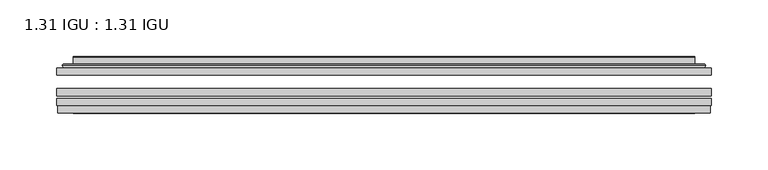
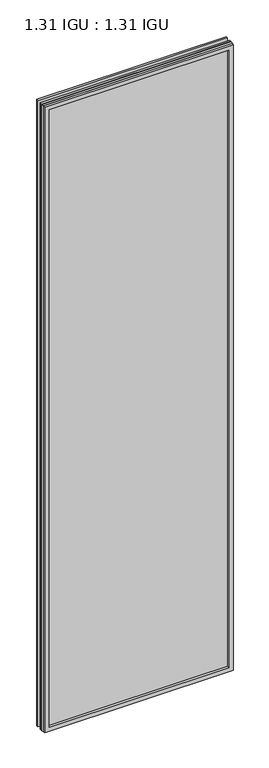
"""IFC4 building model written with IfcOpenShell, lengths in millimetres: plate geometry, 1.31 IGU : 1.31 IGU."""

from ifc_helpers import new_model, si_unit, frame, origin, place, context, project, spatial, polyline, ellipse_curve, outline, extrude, faceted_brep, source, transform, mapped, element, save
from ifc_brep_helpers import plane_surface, cylinder_surface, advanced_brep


def plate_1_31_igu_1_31_igu_ebd483c3(model_context):
    return source(origin(), model_context, "Body", "SolidModel", [
        extrude(outline(polyline([(287.351675, -63.59525), (287.351675, -69.94525), (-287.3375, -69.94525), (-287.3375, -63.59525), (287.351675, -63.59525)])), frame((0.0, 0.0, -14.2875), z_axis=(0.0, 0.0, 1.0), x_axis=(1.0, 0.0, 0.0)), (0.0, 0.0, 1.0), 2009.8015278),
        extrude(outline(polyline([(-287.3375, -78.58125), (-287.3375, -72.230745), (287.351675, -72.230745), (287.351675, -78.58125), (-287.3375, -78.58125)])), frame((0.0, 0.0, -14.2875), z_axis=(0.0, 0.0, 1.0), x_axis=(1.0, 0.0, 0.0)), (0.0, 0.0, 1.0), 2009.8015278),
        extrude(outline(polyline([(287.351675, -45.25645), (287.351675, -51.60645), (-287.3375, -51.60645), (-287.3375, -45.25645), (287.351675, -45.25645)])), frame((0.0, 0.0, -14.2875), z_axis=(0.0, 0.0, 1.0), x_axis=(1.0, 0.0, 0.0)), (0.0, 0.0, 1.0), 2009.8015278),
        faceted_brep([(-286.6373142, -84.93125, 1994.8100441), (-286.6373142, -78.58125, 1994.8100441), (-286.6373142, -78.58125, -13.5873142), (-286.6373142, -84.93125, -13.5873142), (286.6373142, -78.58125, -13.5873142), (286.6373142, -84.93125, -13.5873142), (286.6373142, -78.58125, 1994.8100441), (286.6373142, -84.93125, 1994.8100441), (-272.1522559, -78.58125, 0.8977441), (272.1522559, -78.58125, 0.8977441), (272.1522559, -78.58125, 1980.3249858), (-272.1522559, -78.58125, 1980.3249858), (-273.0446902, -84.93125, 1981.2174201), (273.0446902, -84.93125, 1981.2174201), (273.0446902, -84.93125, 0.0053098), (-273.0446902, -84.93125, 0.0053098)], [[[0, 1, 2, 3]], [[3, 2, 4, 5]], [[5, 4, 6, 7]], [[1, 6, 4, 2], [8, 9, 10, 11]], [[7, 6, 1, 0]], [[3, 5, 7, 0], [12, 13, 14, 15]], [[11, 12, 15, 8]], [[8, 15, 14, 9]], [[9, 14, 13, 10]], [[10, 13, 12, 11]]]),
        advanced_brep(
        [(-280.096219, -45.25645, 1988.2689489), (-282.4504244, -43.2667833, 1990.6231543), (-282.4504244, -43.2667833, -9.4004244), (-280.096219, -45.25645, -7.046219), (-271.0218939, -41.416413, 1979.1946238), (-266.0870621, -45.25645, 1974.2597919), (-266.0870621, -45.25645, 6.9629379), (-271.0218939, -41.416413, 2.0281061), (-272.0539217, -36.0191819, 1980.2266515), (-272.0539217, -36.0191819, 0.9960783), (-273.0445784, -35.6202069, 1981.2173083), (-273.0445784, -35.6202069, 0.0054216), (-273.0445784, -42.08145, 1981.2173083), (-273.0445784, -42.08145, 0.0054216), (-281.4486349, -42.08145, 1989.6213648), (-281.4486349, -42.08145, -8.3986349), (282.4504244, -43.2667833, -9.4004244), (280.096219, -45.25645, -7.046219), (266.0870621, -45.25645, 6.9629379), (271.0218939, -41.416413, 2.0281061), (272.0539217, -36.0191819, 0.9960783), (273.0445784, -35.6202069, 0.0054216), (273.0445784, -42.08145, 0.0054216), (281.4486349, -42.08145, -8.3986349), (282.4504244, -43.2667833, 1990.6231543), (280.096219, -45.25645, 1988.2689489), (266.0870621, -45.25645, 1974.2597919), (271.0218939, -41.416413, 1979.1946238), (272.0539217, -36.0191819, 1980.2266515), (273.0445784, -35.6202069, 1981.2173083), (273.0445784, -42.08145, 1981.2173083), (281.4486349, -42.08145, 1989.6213648)],
        [
            (0, 1, ellipse_curve(frame((-280.096219, -42.86885, 1988.2689489), z_axis=(-0.7071067811865475, 0.0, -0.7071067811865475), x_axis=(-0.7071067811865474, 0.0, 0.7071067811865476)), 3.3765763, 2.3876)),
            (1, 2),
            (2, 3, ellipse_curve(frame((-280.096219, -42.86885, -7.046219), z_axis=(-0.7071067811865475, 0.0, 0.7071067811865475), x_axis=(0.7071067811865474, 0.0, 0.7071067811865476)), 3.3765763, 2.3876)),
            (3, 0),
            (4, 5),
            (5, 6),
            (6, 7),
            (7, 4),
            (8, 4),
            (7, 9),
            (9, 8),
            (10, 8, ellipse_curve(frame((-272.6776219, -36.1384423, 1980.8503517), z_axis=(-0.7071067811865475, 0.0, -0.7071067811865475), x_axis=(-0.7071067811865474, 0.0, 0.7071067811865476)), 0.8980256, 0.635)),
            (9, 11, ellipse_curve(frame((-272.6776219, -36.1384423, 0.3723781), z_axis=(-0.7071067811865475, 0.0, 0.7071067811865475), x_axis=(0.7071067811865474, 0.0, 0.7071067811865476)), 0.8980256, 0.635)),
            (11, 10),
            (12, 10),
            (11, 13),
            (13, 12),
            (1, 14, ellipse_curve(frame((-281.4486349, -43.09745, 1989.6213648), z_axis=(-0.7071067811865475, 0.0, -0.7071067811865475), x_axis=(-0.7071067811865474, 0.0, 0.7071067811865476)), 1.436841, 1.016)),
            (14, 15),
            (15, 2, ellipse_curve(frame((-281.4486349, -43.09745, -8.3986349), z_axis=(-0.7071067811865475, 0.0, 0.7071067811865475), x_axis=(0.7071067811865474, 0.0, 0.7071067811865476)), 1.436841, 1.016)),
            (2, 16),
            (16, 17, ellipse_curve(frame((280.096219, -42.86885, -7.046219), z_axis=(-0.7071067811865475, 0.0, -0.7071067811865475), x_axis=(-0.7071067811865476, 0.0, 0.7071067811865474)), 3.3765763, 2.3876)),
            (17, 3),
            (6, 18),
            (18, 19),
            (19, 7),
            (19, 20),
            (20, 9),
            (20, 21, ellipse_curve(frame((272.6776219, -36.1384423, 0.3723781), z_axis=(-0.7071067811865475, 0.0, -0.7071067811865475), x_axis=(-0.7071067811865476, 0.0, 0.7071067811865474)), 0.8980256, 0.635)),
            (21, 11),
            (21, 22),
            (22, 13),
            (15, 23),
            (23, 16, ellipse_curve(frame((281.4486349, -43.09745, -8.3986349), z_axis=(-0.7071067811865475, 0.0, -0.7071067811865475), x_axis=(-0.7071067811865476, 0.0, 0.7071067811865474)), 1.436841, 1.016)),
            (16, 24),
            (24, 25, ellipse_curve(frame((280.096219, -42.86885, 1988.2689489), z_axis=(0.7071067811865475, 0.0, -0.7071067811865475), x_axis=(-0.7071067811865474, 0.0, -0.7071067811865476)), 3.3765763, 2.3876)),
            (25, 17),
            (18, 26),
            (26, 27),
            (27, 19),
            (27, 28),
            (28, 20),
            (28, 29, ellipse_curve(frame((272.6776219, -36.1384423, 1980.8503517), z_axis=(0.7071067811865475, 0.0, -0.7071067811865475), x_axis=(-0.7071067811865474, 0.0, -0.7071067811865476)), 0.8980256, 0.635)),
            (29, 21),
            (29, 30),
            (30, 22),
            (23, 31),
            (31, 24, ellipse_curve(frame((281.4486349, -43.09745, 1989.6213648), z_axis=(0.7071067811865475, 0.0, -0.7071067811865475), x_axis=(-0.7071067811865474, 0.0, -0.7071067811865476)), 1.436841, 1.016)),
            (24, 1),
            (0, 25),
            (5, 26),
            (4, 27),
            (8, 28),
            (10, 29),
            (12, 30),
            (14, 31),
        ],
        [
            cylinder_surface(frame((-280.096219, -42.86885, 2012.9727299), z_axis=(0.0, 0.0, 1.0), x_axis=(-1.0, 0.0, 0.0)), 2.3876),
            plane_surface(frame((-266.0870621, -45.25645, 1974.2597919), z_axis=(0.6141233906514794, 0.7892100234124821, 0.0), x_axis=(0.0, 0.0, -1.0))),
            plane_surface(frame((-271.0218939, -41.416413, 1979.1946238), z_axis=(0.9822050625507729, 0.18781164793386076, 0.0), x_axis=(0.0, 0.0, -1.0))),
            cylinder_surface(frame((-272.6776219, -36.1384423, 2012.9727299), z_axis=(0.0, 0.0, 1.0), x_axis=(-1.0, 0.0, 0.0)), 0.635),
            plane_surface(frame((-273.0445784, -35.6202069, 1981.2173083), z_axis=(-1.0, 0.0, 0.0), x_axis=(0.0, 0.0, -1.0))),
            cylinder_surface(frame((-281.4486349, -43.09745, 2012.9727299), z_axis=(0.0, 0.0, 1.0), x_axis=(-1.0, 0.0, 0.0)), 1.016),
            cylinder_surface(frame((-304.8, -42.86885, -7.046219), z_axis=(-1.0, 0.0, 0.0), x_axis=(0.0, 0.0, -1.0)), 2.3876),
            plane_surface(frame((-266.0870621, -45.25645, 6.9629379), z_axis=(0.0, 0.7892100234124841, 0.6141233906514768), x_axis=(1.0, 0.0, 0.0))),
            plane_surface(frame((-271.0218939, -41.416413, 2.0281061), z_axis=(0.0, 0.18781164793386393, 0.9822050625507723), x_axis=(1.0, 0.0, 0.0))),
            cylinder_surface(frame((-304.8, -36.1384423, 0.3723781), z_axis=(-1.0, 0.0, 0.0), x_axis=(0.0, 0.0, -1.0)), 0.635),
            plane_surface(frame((-273.0445784, -35.6202069, 0.0054216), z_axis=(0.0, 0.0, -1.0), x_axis=(1.0, 0.0, 0.0))),
            cylinder_surface(frame((-304.8, -43.09745, -8.3986349), z_axis=(-1.0, 0.0, 0.0), x_axis=(0.0, 0.0, -1.0)), 1.016),
            cylinder_surface(frame((280.096219, -42.86885, -31.75), z_axis=(0.0, 0.0, -1.0), x_axis=(1.0, 0.0, 0.0)), 2.3876),
            plane_surface(frame((266.0870621, -45.25645, 6.9629379), z_axis=(-0.6141233906514743, 0.7892100234124861, 0.0), x_axis=(0.0, 0.0, 1.0))),
            plane_surface(frame((271.0218939, -41.416413, 2.0281061), z_axis=(-0.9822050625507718, 0.1878116479338671, 0.0), x_axis=(0.0, 0.0, 1.0))),
            cylinder_surface(frame((272.6776219, -36.1384423, -31.75), z_axis=(0.0, 0.0, -1.0), x_axis=(1.0, 0.0, 0.0)), 0.635),
            plane_surface(frame((273.0445784, -35.6202069, 0.0054216), z_axis=(1.0, 0.0, 0.0), x_axis=(0.0, 0.0, 1.0))),
            cylinder_surface(frame((281.4486349, -43.09745, -31.75), z_axis=(0.0, 0.0, -1.0), x_axis=(1.0, 0.0, 0.0)), 1.016),
            cylinder_surface(frame((304.8, -42.86885, 1988.2689489), z_axis=(1.0, 0.0, 0.0), x_axis=(0.0, 0.0, 1.0)), 2.3876),
            plane_surface(frame((280.096219, -45.25645, 1988.2689489), z_axis=(0.0, -1.0, 0.0), x_axis=(-1.0, 0.0, 0.0))),
            plane_surface(frame((266.0870621, -45.25645, 1974.2597919), z_axis=(0.0, 0.7892100234124841, -0.6141233906514768), x_axis=(-1.0, 0.0, 0.0))),
            plane_surface(frame((271.0218939, -41.416413, 1979.1946238), z_axis=(0.0, 0.18781164793386393, -0.9822050625507723), x_axis=(-1.0, 0.0, 0.0))),
            cylinder_surface(frame((304.8, -36.1384423, 1980.8503517), z_axis=(1.0, 0.0, 0.0), x_axis=(0.0, 0.0, 1.0)), 0.635),
            plane_surface(frame((273.0445784, -35.6202069, 1981.2173083), z_axis=(0.0, 0.0, 1.0), x_axis=(-1.0, 0.0, 0.0))),
            plane_surface(frame((273.0445784, -42.08145, 1981.2173083), z_axis=(0.0, 1.0, 0.0), x_axis=(-1.0, 0.0, 0.0))),
            cylinder_surface(frame((304.8, -43.09745, 1989.6213648), z_axis=(1.0, 0.0, 0.0), x_axis=(0.0, 0.0, 1.0)), 1.016),
        ],
        [
            (0, [[1, 2, 3, 4]]),
            (1, [[5, 6, 7, 8]]),
            (2, [[9, -8, 10, 11]]),
            (3, [[12, -11, 13, 14]]),
            (4, [[15, -14, 16, 17]]),
            (5, [[18, 19, 20, -2]]),
            (6, [[-3, 21, 22, 23]]),
            (7, [[-7, 24, 25, 26]]),
            (8, [[-10, -26, 27, 28]]),
            (9, [[-13, -28, 29, 30]]),
            (10, [[-16, -30, 31, 32]]),
            (11, [[-20, 33, 34, -21]]),
            (12, [[-22, 35, 36, 37]]),
            (13, [[-25, 38, 39, 40]]),
            (14, [[-27, -40, 41, 42]]),
            (15, [[-29, -42, 43, 44]]),
            (16, [[-31, -44, 45, 46]]),
            (17, [[-34, 47, 48, -35]]),
            (18, [[-36, 49, -1, 50]]),
            (19, [[-23, -37, -50, -4], [51, -38, -24, -6]]),
            (20, [[-39, -51, -5, 52]]),
            (21, [[-41, -52, -9, 53]]),
            (22, [[-43, -53, -12, 54]]),
            (23, [[-45, -54, -15, 55]]),
            (24, [[56, -47, -33, -19], [-32, -46, -55, -17]]),
            (25, [[-48, -56, -18, -49]]),
        ],
    ),
    ])


if __name__ == "__main__":
    model = new_model("IFC4")
    model_context = context("Model", 3, world=origin())
    ifc_project = project(units=[si_unit("LENGTHUNIT", "METRE", prefix="MILLI")], contexts=[model_context])
    site = spatial("IfcSite", under=ifc_project)
    building = spatial("IfcBuilding", under=site)
    placement = place(None, origin())
    plate_1_31_igu_1_31_igu_shape = plate_1_31_igu_1_31_igu_ebd483c3(model_context)
    element("IfcPlate", 1, ObjectType="1.31 IGU : 1.31 IGU", at=placement, inside=building, context=model_context, shape_type="MappedRepresentation", body=[
        mapped(plate_1_31_igu_1_31_igu_shape, transform((0.0, 0.0, 0.0), x_axis=(1.0, 0.0, 0.0), y_axis=(0.0, 1.0, 0.0), z_axis=(0.0, 0.0, 1.0))),
    ])
    save(model, "model.ifc")
